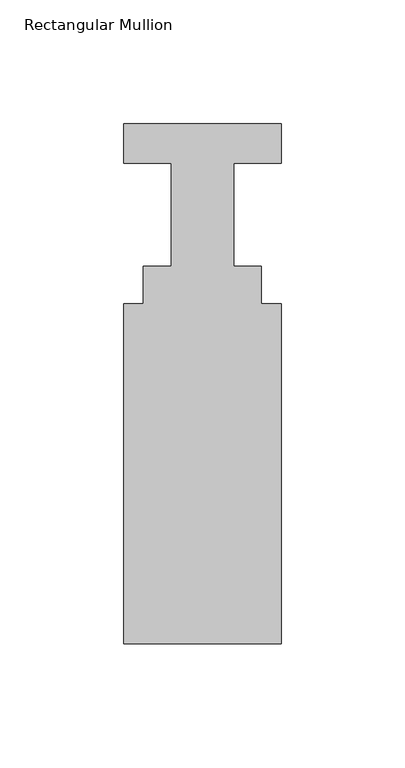
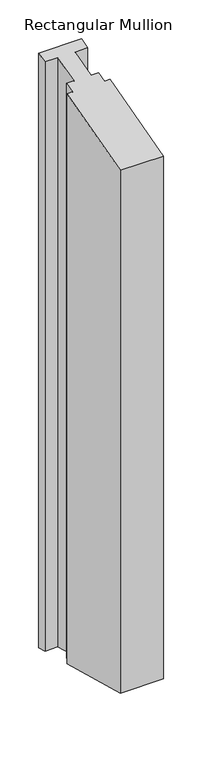
"""IFC4 building model written with IfcOpenShell, lengths in millimetres: member geometry, Rectangular Mullion."""

from ifc_helpers import new_model, si_unit, origin, place, context, project, spatial, faceted_brep, source, transform, mapped, element, save


def rectangular_mullion_28311016(model_context):
    return source(origin(), model_context, "Body", "Brep", [
        faceted_brep([(31.75, 20.7367187, 5.556387), (31.75, 4.8617187, 1.3026936), (31.75, 4.8617187, -922.2209346), (31.75, 20.7367187, -926.474628), (-31.75, 20.7367187, 5.556387), (-31.75, 20.7367187, -926.474628), (-31.75, 4.8617187, 1.3026936), (-31.75, 4.8617187, -922.2209346), (-12.7, 4.8617187, 1.3026936), (-12.7, 4.8617187, -922.2209346), (-12.7, -36.7942813, -9.8589979), (-12.7, -36.7942813, -911.059243), (-23.8252, -36.7942813, -9.8589979), (-23.8252, -36.7942813, -911.059243), (-23.8252, -51.8564813, -13.8949023), (-23.8252, -51.8564813, -907.0233387), (-31.75, -51.8564813, -13.8949023), (-31.75, -51.8564813, -907.0233387), (-31.75, -189.1942813, -50.6944549), (-31.75, -189.1942813, -870.2237861), (31.75, -189.1942813, -50.6944549), (31.75, -189.1942813, -870.2237861), (31.75, -51.8564813, -13.8949023), (31.75, -51.8564813, -907.0233387), (23.8252, -51.8564813, -13.8949023), (23.8252, -51.8564813, -907.0233387), (23.8252, -36.7942813, -9.8589979), (23.8252, -36.7942813, -911.059243), (12.7, -36.7942813, -9.8589979), (12.7, -36.7942813, -911.059243), (12.7, 4.8617187, 1.3026936), (12.7, 4.8617187, -922.2209346)], [[[0, 1, 2, 3]], [[4, 0, 3, 5]], [[6, 4, 5, 7]], [[8, 6, 7, 9]], [[10, 8, 9, 11]], [[12, 10, 11, 13]], [[14, 12, 13, 15]], [[16, 14, 15, 17]], [[18, 16, 17, 19]], [[20, 18, 19, 21]], [[22, 20, 21, 23]], [[24, 22, 23, 25]], [[26, 24, 25, 27]], [[28, 26, 27, 29]], [[30, 28, 29, 31]], [[1, 30, 31, 2]], [[1, 0, 4, 6, 8, 10, 12, 14, 16, 18, 20, 22, 24, 26, 28, 30]], [[2, 31, 29, 27, 25, 23, 21, 19, 17, 15, 13, 11, 9, 7, 5, 3]]]),
    ])


if __name__ == "__main__":
    model = new_model("IFC4")
    model_context = context("Model", 3, world=origin())
    ifc_project = project(units=[si_unit("LENGTHUNIT", "METRE", prefix="MILLI")], contexts=[model_context])
    site = spatial("IfcSite", under=ifc_project)
    building = spatial("IfcBuilding", under=site)
    placement = place(None, origin())
    rectangular_mullion_shape = rectangular_mullion_28311016(model_context)
    element("IfcMember", 1, ObjectType="Rectangular Mullion", at=placement, inside=building, context=model_context, shape_type="MappedRepresentation", body=[
        mapped(rectangular_mullion_shape, transform((0.0, 0.0, 0.0), x_axis=(1.0, 0.0, 0.0), y_axis=(0.0, 1.0, 0.0), z_axis=(0.0, 0.0, 1.0))),
    ])
    save(model, "model.ifc")
